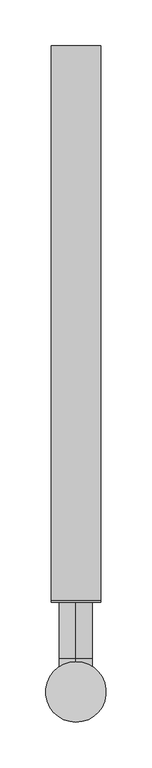
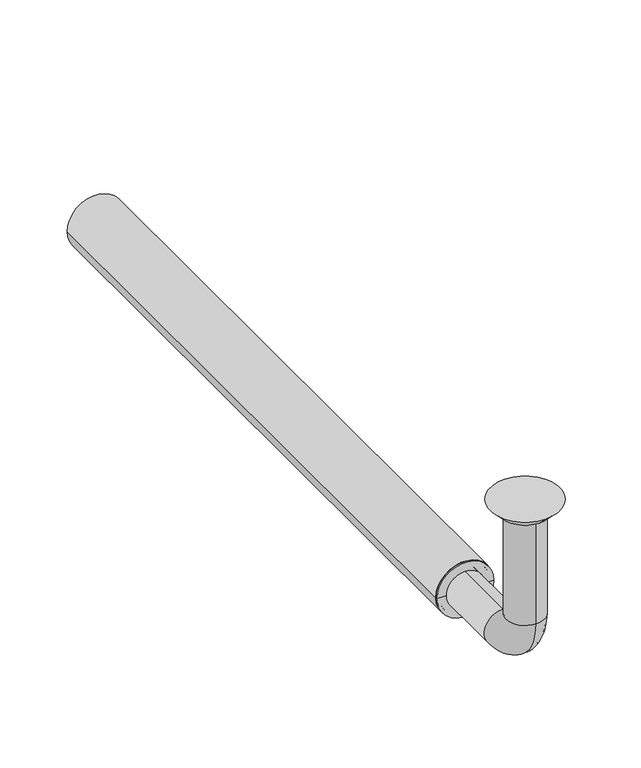
"""IFC4 building model written with IfcOpenShell, lengths in millimetres: beam geometry."""

from ifc_helpers import new_model, si_unit, point, frame, frame_2d, origin, place, context, project, spatial, polyline, circle_curve, ellipse_curve, trimmed, segment, composite_curve, outline, extrude, source, transform, mapped, element, save
from ifc_brep_helpers import plane_surface, cylinder_surface, revolved_surface, advanced_brep


def beam_ee3c7a4b(model_context):
    return source(origin(), model_context, "Body", "SolidModel", [
        extrude(outline(composite_curve([segment(trimmed(circle_curve(frame_2d((-150.0, 0.0)), 27.0), [point((-150.0, 27.0))], [point((-150.0, -27.0))], False, "CARTESIAN"), True, "CONTINUOUS"), segment(trimmed(circle_curve(frame_2d((-150.0, 0.0)), 27.0), [point((-150.0, -27.0))], [point((-150.0, 27.0))], False, "CARTESIAN"), True, "CONTINUOUS")], self_intersect=False), holes=[composite_curve([segment(trimmed(circle_curve(frame_2d((-150.0, 0.0)), 24.0), [point((-150.0, 24.0))], [point((-150.0, -24.0))], True, "CARTESIAN"), True, "CONTINUOUS"), segment(trimmed(circle_curve(frame_2d((-150.0, 0.0)), 24.0), [point((-150.0, -24.0))], [point((-150.0, 24.0))], True, "CARTESIAN"), True, "CONTINUOUS")], self_intersect=False)]), frame((0.0, 100.0, 0.0), z_axis=(0.0, 1.0, 0.0), x_axis=(0.0, 0.0, 1.0)), (0.0, 0.0, 1.0), 605.0),
        advanced_brep(
        [(0.0, -18.0, -10.0), (0.0, 18.0, -10.0), (0.0, -17.0, -10.0), (0.0, 17.0, -10.0), (0.0, -18.0, -114.0), (0.0, 18.0, -114.0), (0.0, -17.0, -114.0), (0.0, 17.0, -114.0), (0.0, 36.0, -132.0), (0.0, 36.0, -168.0), (0.0, 36.0, -133.0), (0.0, 36.0, -167.0), (0.0, 123.0, -168.0), (0.0, 123.0, -132.0), (0.0, 123.0, -167.0), (0.0, 123.0, -133.0)],
        [
            (0, 1, circle_curve(frame((0.0, 0.0, -10.0), z_axis=(0.0, 0.0, 1.0), x_axis=(0.0, 1.0, 0.0)), 18.0)),
            (1, 0, circle_curve(frame((0.0, 0.0, -10.0), z_axis=(0.0, 0.0, 1.0), x_axis=(0.0, 1.0, 0.0)), 18.0)),
            (2, 3, circle_curve(frame((0.0, 0.0, -10.0), z_axis=(0.0, 0.0, -1.0), x_axis=(0.0, 1.0, 0.0)), 17.0)),
            (3, 2, circle_curve(frame((0.0, 0.0, -10.0), z_axis=(0.0, 0.0, -1.0), x_axis=(0.0, 1.0, 0.0)), 17.0)),
            (0, 4),
            (4, 5, circle_curve(frame((0.0, 0.0, -114.0), z_axis=(0.0, 0.0, 1.0), x_axis=(0.0, 1.0, 0.0)), 18.0)),
            (5, 1),
            (5, 4, circle_curve(frame((0.0, 0.0, -114.0), z_axis=(0.0, 0.0, 1.0), x_axis=(0.0, 1.0, 0.0)), 18.0)),
            (2, 6),
            (6, 7, circle_curve(frame((0.0, 0.0, -114.0), z_axis=(0.0, 0.0, -1.0), x_axis=(0.0, 1.0, 0.0)), 17.0)),
            (7, 3),
            (7, 6, circle_curve(frame((0.0, 0.0, -114.0), z_axis=(0.0, 0.0, -1.0), x_axis=(0.0, 1.0, 0.0)), 17.0)),
            (8, 5, circle_curve(frame((0.0, 36.0, -114.0), z_axis=(-1.0, 0.0, 0.0), x_axis=(0.0, -1.0, 0.0)), 18.0)),
            (4, 9, circle_curve(frame((0.0, 36.0, -114.0), z_axis=(1.0, 0.0, 0.0), x_axis=(0.0, -1.0, 0.0)), 54.0)),
            (9, 8, circle_curve(frame((0.0, 36.0, -150.0), z_axis=(0.0, -1.0, 0.0), x_axis=(0.0, 0.0, 1.0)), 18.0)),
            (8, 9, circle_curve(frame((0.0, 36.0, -150.0), z_axis=(0.0, -1.0, 0.0), x_axis=(0.0, 0.0, 1.0)), 18.0)),
            (10, 7, circle_curve(frame((0.0, 36.0, -114.0), z_axis=(-1.0, 0.0, 0.0), x_axis=(0.0, -1.0, 0.0)), 19.0)),
            (6, 11, circle_curve(frame((0.0, 36.0, -114.0), z_axis=(1.0, 0.0, 0.0), x_axis=(0.0, -1.0, 0.0)), 53.0)),
            (11, 10, circle_curve(frame((0.0, 36.0, -150.0), z_axis=(0.0, 1.0, 0.0), x_axis=(0.0, 0.0, 1.0)), 17.0)),
            (10, 11, circle_curve(frame((0.0, 36.0, -150.0), z_axis=(0.0, 1.0, 0.0), x_axis=(0.0, 0.0, 1.0)), 17.0)),
            (12, 13, circle_curve(frame((0.0, 123.0, -150.0), z_axis=(0.0, 1.0, 0.0), x_axis=(0.0, 0.0, 1.0)), 18.0)),
            (13, 12, circle_curve(frame((0.0, 123.0, -150.0), z_axis=(0.0, 1.0, 0.0), x_axis=(0.0, 0.0, 1.0)), 18.0)),
            (14, 15, circle_curve(frame((0.0, 123.0, -150.0), z_axis=(0.0, -1.0, 0.0), x_axis=(0.0, 0.0, 1.0)), 17.0)),
            (15, 14, circle_curve(frame((0.0, 123.0, -150.0), z_axis=(0.0, -1.0, 0.0), x_axis=(0.0, 0.0, 1.0)), 17.0)),
            (9, 12),
            (13, 8),
            (11, 14),
            (15, 10),
        ],
        [
            plane_surface(frame((0.0, 0.0, -10.0), z_axis=(0.0, 0.0, 1.0), x_axis=(1.0, 0.0, 0.0))),
            cylinder_surface(frame((0.0, 0.0, -10.0), z_axis=(0.0, 0.0, 1.0), x_axis=(0.0, 1.0, 0.0)), 18.0),
            revolved_surface(polyline([(0.0, 17.0, -114.0), (0.0, 17.0, -10.0)]), (0.0, 0.0, -10.0), (0.0, 0.0, -1.0)),
            revolved_surface(trimmed(ellipse_curve(frame((0.0, 0.0, -114.0), z_axis=(0.0, 0.0, 1.0), x_axis=(0.0, 1.0, 0.0)), 18.0, 18.0), [point((0.0, -18.0, -114.0))], [point((0.0, 18.0, -114.0))], True, "CARTESIAN"), (0.0, 36.0, -114.0), (1.0, 0.0, 0.0)),
            revolved_surface(trimmed(ellipse_curve(frame((0.0, 0.0, -114.0), z_axis=(0.0, 0.0, 1.0), x_axis=(0.0, 1.0, 0.0)), 18.0, 18.0), [point((0.0, 18.0, -114.0))], [point((0.0, -18.0, -114.0))], True, "CARTESIAN"), (0.0, 36.0, -114.0), (1.0, 0.0, 0.0)),
            revolved_surface(trimmed(ellipse_curve(frame((0.0, 0.0, -114.0), z_axis=(0.0, 0.0, -1.0), x_axis=(0.0, 1.0, 0.0)), 17.0, 17.0), [point((0.0, -17.0, -114.0))], [point((0.0, 17.0, -114.0))], True, "CARTESIAN"), (0.0, 36.0, -114.0), (1.0, 0.0, 0.0)),
            revolved_surface(trimmed(ellipse_curve(frame((0.0, 0.0, -114.0), z_axis=(0.0, 0.0, -1.0), x_axis=(0.0, 1.0, 0.0)), 17.0, 17.0), [point((0.0, 17.0, -114.0))], [point((0.0, -17.0, -114.0))], True, "CARTESIAN"), (0.0, 36.0, -114.0), (1.0, 0.0, 0.0)),
            plane_surface(frame((0.0, 123.0, -150.0), z_axis=(0.0, 1.0, 0.0), x_axis=(1.0, 0.0, 0.0))),
            cylinder_surface(frame((0.0, 36.0, -150.0), z_axis=(0.0, -1.0, 0.0), x_axis=(0.0, 0.0, 1.0)), 18.0),
            revolved_surface(polyline([(0.0, 123.0, -133.0), (0.0, 36.0, -133.0)]), (0.0, 36.0, -150.0), (0.0, 1.0, 0.0)),
        ],
        [
            (0, [[1, 2], [3, 4]]),
            (1, [[-1, 5, 6, 7]]),
            (1, [[-2, -7, 8, -5]]),
            (2, [[-3, 9, 10, 11]]),
            (2, [[-4, -11, 12, -9]]),
            (3, [[13, -6, 14, 15]]),
            (4, [[-14, -8, -13, 16]]),
            (5, [[17, -10, 18, 19]]),
            (6, [[-18, -12, -17, 20]]),
            (7, [[21, 22], [23, 24]]),
            (8, [[-15, 25, -22, 26]]),
            (8, [[-16, -26, -21, -25]]),
            (9, [[-19, 27, -24, 28]]),
            (9, [[-20, -28, -23, -27]]),
        ],
    ),
        advanced_brep(
        [(0.0, 23.0, -10.0), (0.0, -23.0, -10.0), (0.0, 33.0, 0.0), (0.0, -33.0, 0.0)],
        [
            (0, 1, circle_curve(frame((0.0, 0.0, -10.0), z_axis=(0.0, 0.0, -1.0), x_axis=(0.0, 1.0, 0.0)), 23.0)),
            (1, 0, circle_curve(frame((0.0, 0.0, -10.0), z_axis=(0.0, 0.0, -1.0), x_axis=(0.0, -1.0, 0.0)), 23.0)),
            (2, 3, circle_curve(frame((0.0, 0.0, 0.0), z_axis=(0.0, 0.0, 1.0), x_axis=(0.0, -1.0, 0.0)), 33.0)),
            (3, 2, circle_curve(frame((0.0, 0.0, 0.0), z_axis=(0.0, 0.0, 1.0), x_axis=(0.0, 1.0, 0.0)), 33.0)),
            (3, 1),
            (0, 2),
        ],
        [
            plane_surface(frame((0.0, 0.0, -10.0), z_axis=(0.0, 0.0, -1.0), x_axis=(-1.0, 0.0, 0.0))),
            plane_surface(frame((0.0, 0.0, 0.0), z_axis=(0.0, 0.0, 1.0), x_axis=(-1.0, 0.0, 0.0))),
            revolved_surface(polyline([(0.0, 23.0, -10.0), (0.0, 33.0, 0.0)]), (0.0, 0.0, -33.0), (0.0, 0.0, 1.0)),
            revolved_surface(polyline([(0.0, -23.0, -10.0), (0.0, -33.0, 0.0)]), (0.0, 0.0, -33.0), (0.0, 0.0, 1.0)),
        ],
        [
            (0, [[1, 2]]),
            (1, [[3, 4]]),
            (2, [[-4, 5, -1, 6]]),
            (3, [[-3, -6, -2, -5]]),
        ],
    ),
        advanced_brep(
        [(24.0, 100.0, -150.0), (-24.0, 100.0, -150.0), (-24.0, 123.0, -150.0), (24.0, 123.0, -150.0), (-18.0, 123.0, -150.0), (18.0, 123.0, -150.0), (-18.0, 98.0, -150.0), (18.0, 98.0, -150.0), (-27.0, 98.0, -150.0), (27.0, 98.0, -150.0), (-27.0, 100.0, -150.0), (27.0, 100.0, -150.0)],
        [
            (0, 1, circle_curve(frame((0.0, 100.0, -150.0), z_axis=(0.0, 1.0, 0.0), x_axis=(-1.0, 0.0, 0.0)), 24.0)),
            (1, 2),
            (2, 3, circle_curve(frame((0.0, 123.0, -150.0), z_axis=(0.0, -1.0, 0.0), x_axis=(-1.0, 0.0, 0.0)), 24.0)),
            (3, 0),
            (1, 0, circle_curve(frame((0.0, 100.0, -150.0), z_axis=(0.0, 1.0, 0.0), x_axis=(-1.0, 0.0, 0.0)), 24.0)),
            (3, 2, circle_curve(frame((0.0, 123.0, -150.0), z_axis=(0.0, -1.0, 0.0), x_axis=(-1.0, 0.0, 0.0)), 24.0)),
            (2, 4),
            (4, 5, circle_curve(frame((0.0, 123.0, -150.0), z_axis=(0.0, -1.0, 0.0), x_axis=(-1.0, 0.0, 0.0)), 18.0)),
            (5, 3),
            (5, 4, circle_curve(frame((0.0, 123.0, -150.0), z_axis=(0.0, -1.0, 0.0), x_axis=(-1.0, 0.0, 0.0)), 18.0)),
            (4, 6),
            (6, 7, circle_curve(frame((0.0, 98.0, -150.0), z_axis=(0.0, -1.0, 0.0), x_axis=(-1.0, 0.0, 0.0)), 18.0)),
            (7, 5),
            (7, 6, circle_curve(frame((0.0, 98.0, -150.0), z_axis=(0.0, -1.0, 0.0), x_axis=(-1.0, 0.0, 0.0)), 18.0)),
            (6, 8),
            (8, 9, circle_curve(frame((0.0, 98.0, -150.0), z_axis=(0.0, -1.0, 0.0), x_axis=(-1.0, 0.0, 0.0)), 27.0)),
            (9, 7),
            (9, 8, circle_curve(frame((0.0, 98.0, -150.0), z_axis=(0.0, -1.0, 0.0), x_axis=(-1.0, 0.0, 0.0)), 27.0)),
            (8, 10),
            (10, 11, circle_curve(frame((0.0, 100.0, -150.0), z_axis=(0.0, -1.0, 0.0), x_axis=(-1.0, 0.0, 0.0)), 27.0)),
            (11, 9),
            (11, 10, circle_curve(frame((0.0, 100.0, -150.0), z_axis=(0.0, -1.0, 0.0), x_axis=(-1.0, 0.0, 0.0)), 27.0)),
            (10, 1),
            (0, 11),
        ],
        [
            cylinder_surface(frame((0.0, 98.0, -150.0), z_axis=(0.0, -1.0, 0.0), x_axis=(-1.0, 0.0, 0.0)), 24.0),
            plane_surface(frame((0.0, 123.0, -150.0), z_axis=(0.0, 1.0, 0.0), x_axis=(-1.0, 0.0, 0.0))),
            revolved_surface(polyline([(-18.0, 98.0, -150.0), (-18.0, 123.0, -150.0)]), (0.0, 98.0, -150.0), (0.0, -1.0, 0.0)),
            plane_surface(frame((0.0, 98.0, -150.0), z_axis=(0.0, -1.0, 0.0), x_axis=(-1.0, 0.0, 0.0))),
            cylinder_surface(frame((0.0, 98.0, -150.0), z_axis=(0.0, -1.0, 0.0), x_axis=(-1.0, 0.0, 0.0)), 27.0),
            plane_surface(frame((0.0, 100.0, -150.0), z_axis=(0.0, 1.0, 0.0), x_axis=(-1.0, 0.0, 0.0))),
        ],
        [
            (0, [[1, 2, 3, 4]]),
            (0, [[5, -4, 6, -2]]),
            (1, [[-3, 7, 8, 9]]),
            (1, [[-6, -9, 10, -7]]),
            (2, [[-8, 11, 12, 13]]),
            (2, [[-10, -13, 14, -11]]),
            (3, [[-12, 15, 16, 17]]),
            (3, [[-14, -17, 18, -15]]),
            (4, [[-16, 19, 20, 21]]),
            (4, [[-18, -21, 22, -19]]),
            (5, [[-20, 23, -1, 24]]),
            (5, [[-22, -24, -5, -23]]),
        ],
    ),
    ])


if __name__ == "__main__":
    model = new_model("IFC4")
    model_context = context("Model", 3, world=origin())
    ifc_project = project(units=[si_unit("LENGTHUNIT", "METRE", prefix="MILLI")], contexts=[model_context])
    site = spatial("IfcSite", under=ifc_project)
    building = spatial("IfcBuilding", under=site)
    placement = place(None, origin())
    beam_shape = beam_ee3c7a4b(model_context)
    element("IfcBeam", 1, at=placement, inside=building, context=model_context, shape_type="MappedRepresentation", body=[
        mapped(beam_shape, transform((0.0, 0.0, 0.0), x_axis=(1.0, 0.0, 0.0), y_axis=(0.0, 1.0, 0.0), z_axis=(0.0, 0.0, 1.0))),
    ])
    save(model, "model.ifc")
